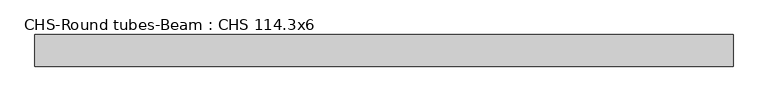
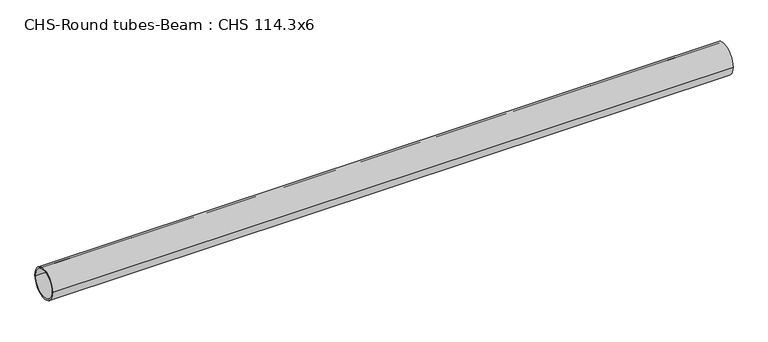
"""IFC4 building model written with IfcOpenShell, lengths in millimetres: beam geometry, CHS-Round tubes-Beam : CHS 114.3x6."""

from ifc_helpers import new_model, si_unit, point, frame, origin, origin_2d, place, context, project, spatial, circle_curve, trimmed, segment, composite_curve, outline, extrude, source, transform, mapped, element, save


def chs_round_tubes_beam_chs_114_3x6_88322acd(model_context):
    return source(origin(), model_context, "Body", "SweptSolid", [
        extrude(outline(composite_curve([segment(trimmed(circle_curve(origin_2d(), 57.15), [point((57.15, 0.0))], [point((-57.15, 0.0))], False, "CARTESIAN"), True, "CONTINUOUS"), segment(trimmed(circle_curve(origin_2d(), 57.15), [point((-57.15, 0.0))], [point((57.15, 0.0))], False, "CARTESIAN"), True, "CONTINUOUS")], self_intersect=False), holes=[composite_curve([segment(trimmed(circle_curve(origin_2d(), 51.15), [point((51.15, 0.0))], [point((-51.15, 0.0))], True, "CARTESIAN"), True, "CONTINUOUS"), segment(trimmed(circle_curve(origin_2d(), 51.15), [point((-51.15, 0.0))], [point((51.15, 0.0))], True, "CARTESIAN"), True, "CONTINUOUS")], self_intersect=False)]), frame((-1208.1342607, 0.0, 0.0), z_axis=(1.0, 0.0, 0.0), x_axis=(0.0, 1.0, 0.0)), (0.0, 0.0, 1.0), 2526.2978215),
    ])


if __name__ == "__main__":
    model = new_model("IFC4")
    model_context = context("Model", 3, world=origin())
    ifc_project = project(units=[si_unit("LENGTHUNIT", "METRE", prefix="MILLI")], contexts=[model_context])
    site = spatial("IfcSite", under=ifc_project)
    building = spatial("IfcBuilding", under=site)
    placement = place(None, origin())
    chs_round_tubes_beam_chs_114_3x6_shape = chs_round_tubes_beam_chs_114_3x6_88322acd(model_context)
    element("IfcBeam", 1, ObjectType="CHS-Round tubes-Beam : CHS 114.3x6", at=placement, inside=building, context=model_context, shape_type="MappedRepresentation", body=[
        mapped(chs_round_tubes_beam_chs_114_3x6_shape, transform((0.0, 0.0, 0.0), x_axis=(1.0, 0.0, 0.0), y_axis=(0.0, 1.0, 0.0), z_axis=(0.0, 0.0, 1.0))),
    ])
    save(model, "model.ifc")
